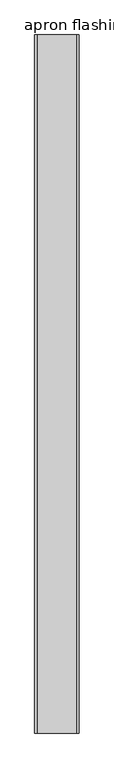
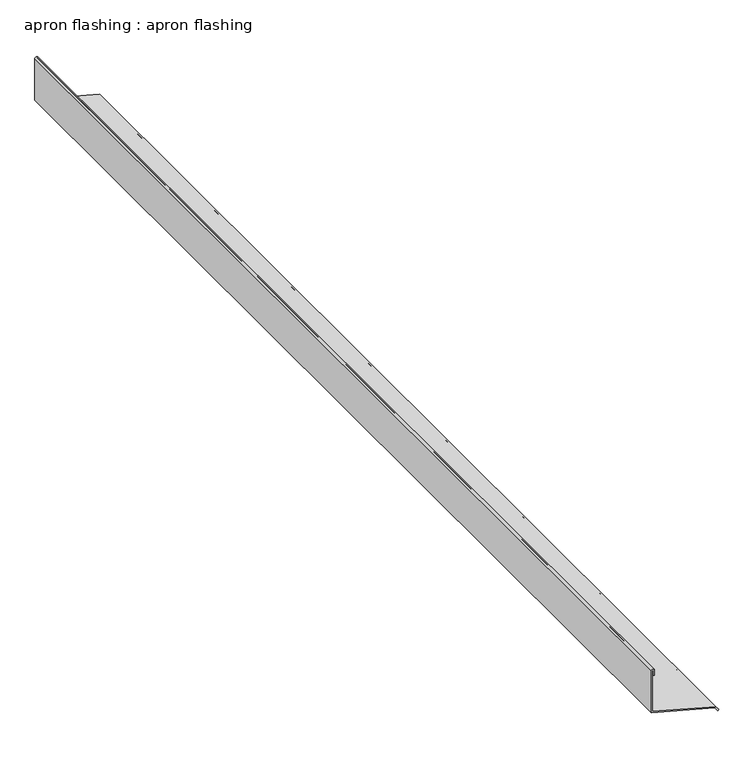
"""IFC4 building model written with IfcOpenShell, lengths in millimetres: proxy geometry, apron flashing : apron flashing."""

from ifc_helpers import new_model, si_unit, frame, origin, place, context, project, spatial, polyline, circle_curve, source, transform, mapped, element, save
from ifc_brep_helpers import plane_surface, cylinder_surface, revolved_surface, advanced_brep


def apron_flashing_apron_flashing_042aa35f(model_context):
    return source(origin(), model_context, "Body", "AdvancedBrep", [
        advanced_brep(
        [(675.1171065, 38714.0065411, -179.2758788), (793.4257074, 38714.0065411, -210.9765729), (798.4814325, 38714.0065411, -218.1968965), (800.5293126, 38714.0065411, -216.7629554), (795.1507976, 38714.0065411, -209.08164), (677.1171065, 38714.0065411, -177.4546078), (677.1171065, 38714.0065411, -97.6604783), (679.0770425, 38714.0065411, -97.3631191), (679.0770425, 38714.0065411, -107.6397971), (681.0769712, 38714.0065411, -107.6397971), (681.0769712, 38714.0065411, -97.6604783), (675.1171065, 38714.0065411, -97.151147), (675.1171065, 40694.6358712, -179.2758788), (675.1171065, 40694.6358712, -97.151147), (681.0769712, 40694.6358712, -97.6604783), (681.0769712, 40694.6358712, -107.6397971), (679.0770425, 40694.6358712, -107.6397971), (679.0770425, 40694.6358712, -97.3631191), (677.1172412, 40694.6358712, -97.6578976), (677.1171065, 40694.6358712, -177.4546078), (795.1507976, 40694.6358712, -209.08164), (800.5293126, 40694.6358712, -216.7629554), (798.4814325, 40694.6358712, -218.1968965), (793.4257074, 40694.6358712, -210.9765729)],
        [
            (0, 1),
            (1, 2),
            (2, 3),
            (3, 4),
            (4, 5),
            (5, 6),
            (6, 7, circle_curve(frame((678.1171367, 38714.0065411, -97.6434421), z_axis=(0.0, 1.0, 0.0), x_axis=(1.0, 0.0, 0.0)), 1.0)),
            (7, 8),
            (8, 9),
            (9, 10),
            (10, 11, circle_curve(frame((678.0770425, 38714.0065411, -97.6397971), z_axis=(0.0, -1.0, 0.0), x_axis=(1.0, 0.0, 0.0)), 3.0)),
            (11, 0),
            (12, 13),
            (13, 14, circle_curve(frame((678.0770425, 40694.6358712, -97.6397971), z_axis=(0.0, 1.0, 0.0), x_axis=(1.0, 0.0, 0.0)), 3.0)),
            (14, 15),
            (15, 16),
            (16, 17),
            (17, 18, circle_curve(frame((678.1171367, 40694.6358712, -97.6434421), z_axis=(0.0, -1.0, 0.0), x_axis=(1.0, 0.0, 0.0)), 1.0)),
            (18, 19),
            (19, 20),
            (20, 21),
            (21, 22),
            (22, 23),
            (23, 12),
            (0, 12),
            (23, 1),
            (22, 2),
            (21, 3),
            (20, 4),
            (19, 5),
            (18, 6),
            (17, 7),
            (16, 8),
            (15, 9),
            (14, 10),
            (13, 11),
        ],
        [
            plane_surface(frame((672.5759331, 38714.0065411, -178.5949734), z_axis=(0.0, -1.0000000000000002, 0.0), x_axis=(0.9659258262890676, 0.0, -0.2588190451025235))),
            plane_surface(frame((672.5759331, 40694.6358712, -178.5949734), z_axis=(0.0, 1.0000000000000002, 0.0), x_axis=(-0.9659258262890676, 0.0, 0.2588190451025235))),
            plane_surface(frame((675.1171065, 38714.0065411, -179.2758788), z_axis=(-0.2588190451025235, 0.0, -0.9659258262890676), x_axis=(0.0, 1.0, 0.0))),
            plane_surface(frame((793.4257074, 38714.0065411, -210.9765729), z_axis=(-0.8191520442889908, 0.0, -0.5735764363510475), x_axis=(0.0, 1.0, 0.0))),
            plane_surface(frame((798.4814325, 38714.0065411, -218.1968965), z_axis=(0.5735764363510629, 0.0, -0.81915204428898), x_axis=(0.0, 1.0, 0.0))),
            plane_surface(frame((800.5293126, 38714.0065411, -216.7629554), z_axis=(0.8191520442889955, 0.0, 0.5735764363510409), x_axis=(0.0, 1.0, 0.0))),
            plane_surface(frame((795.1507976, 38714.0065411, -209.08164), z_axis=(0.25881904510252307, 0.0, 0.9659258262890678), x_axis=(0.0, 1.0, 0.0))),
            plane_surface(frame((677.1171065, 38714.0065411, -177.4546078), z_axis=(1.0, 0.0, 0.0), x_axis=(0.0, 1.0, 0.0))),
            revolved_surface(polyline([(679.1171367, 40694.6358712, -97.6434421), (679.1171367, 38714.0065411, -97.6434421)]), (678.1171367, 40694.6358712, -97.6434421), (0.0, 1.0, 0.0)),
            plane_surface(frame((679.0770425, 38714.0065411, -97.3631191), z_axis=(-1.0, 0.0, 0.0), x_axis=(0.0, 1.0, 0.0))),
            plane_surface(frame((679.0770425, 38714.0065411, -107.6397971), z_axis=(0.0, 0.0, -1.0), x_axis=(0.0, 1.0, 0.0))),
            plane_surface(frame((681.0769712, 38714.0065411, -107.6397971), z_axis=(1.0, 0.0, 0.0), x_axis=(0.0, 1.0, 0.0))),
            cylinder_surface(frame((678.0770425, 40694.6358712, -97.6397971), z_axis=(0.0, -1.0, 0.0), x_axis=(1.0, 0.0, 0.0)), 3.0),
            plane_surface(frame((675.1171065, 38714.0065411, -97.151147), z_axis=(-1.0, 0.0, 0.0), x_axis=(0.0, 1.0, 0.0))),
        ],
        [
            (0, [[1, 2, 3, 4, 5, 6, 7, 8, 9, 10, 11, 12]]),
            (1, [[13, 14, 15, 16, 17, 18, 19, 20, 21, 22, 23, 24]]),
            (2, [[-1, 25, -24, 26]]),
            (3, [[-2, -26, -23, 27]]),
            (4, [[-3, -27, -22, 28]]),
            (5, [[-4, -28, -21, 29]]),
            (6, [[-5, -29, -20, 30]]),
            (7, [[-6, -30, -19, 31]]),
            (8, [[-7, -31, -18, 32]]),
            (9, [[-8, -32, -17, 33]]),
            (10, [[-9, -33, -16, 34]]),
            (11, [[-10, -34, -15, 35]]),
            (12, [[-11, -35, -14, 36]]),
            (13, [[-12, -36, -13, -25]]),
        ],
    ),
    ])


if __name__ == "__main__":
    model = new_model("IFC4")
    model_context = context("Model", 3, world=origin())
    ifc_project = project(units=[si_unit("LENGTHUNIT", "METRE", prefix="MILLI")], contexts=[model_context])
    site = spatial("IfcSite", under=ifc_project)
    building = spatial("IfcBuilding", under=site)
    placement = place(None, origin())
    apron_flashing_apron_flashing_shape = apron_flashing_apron_flashing_042aa35f(model_context)
    element("IfcBuildingElementProxy", 1, Name="apron flashing : apron flashing", ObjectType="apron flashing : apron flashing", at=placement, inside=building, context=model_context, shape_type="MappedRepresentation", body=[
        mapped(apron_flashing_apron_flashing_shape, transform((0.0, 0.0, 0.0), x_axis=(1.0, 0.0, 0.0), y_axis=(0.0, 1.0, 0.0), z_axis=(0.0, 0.0, 1.0))),
    ])
    save(model, "model.ifc")
